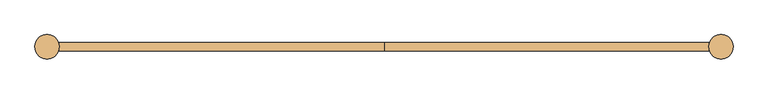
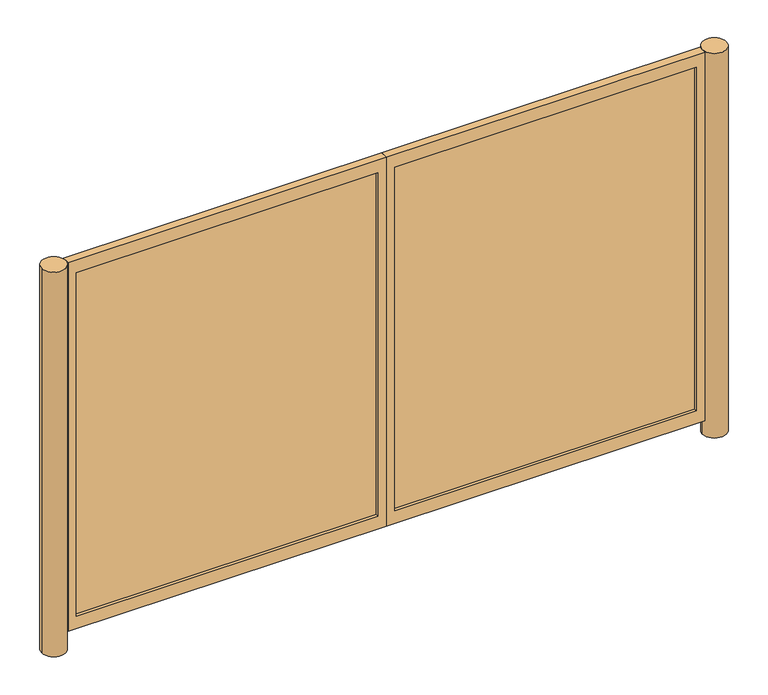
"""IFC4 building model written with IfcOpenShell, lengths in millimetres: door geometry."""

from ifc_helpers import new_model, si_unit, point, frame, frame_2d, origin, origin_with_axes, place, context, project, spatial, polyline, circle_curve, trimmed, segment, composite_curve, outline, extrude, source, transform, mapped, element, save


def door_ef174981(model_context):
    return source(origin(), model_context, "Body", "SweptSolid", [
        extrude(outline(composite_curve([segment(trimmed(circle_curve(frame_2d((-1981.2, 203.2)), 71.4375), [point((-2052.6375, 203.2))], [point((-1909.7625, 203.2))], False, "CARTESIAN"), True, "CONTINUOUS"), segment(trimmed(circle_curve(frame_2d((-1981.2, 203.2)), 71.4375), [point((-1909.7625, 203.2))], [point((-2052.6375, 203.2))], False, "CARTESIAN"), True, "CONTINUOUS")], self_intersect=False)), origin_with_axes(), (0.0, 0.0, 1.0), 2438.4),
        extrude(outline(composite_curve([segment(trimmed(circle_curve(frame_2d((1981.2, 203.2)), 71.4375), [point((1909.7625, 203.2))], [point((2052.6375, 203.2))], False, "CARTESIAN"), True, "CONTINUOUS"), segment(trimmed(circle_curve(frame_2d((1981.2, 203.2)), 71.4375), [point((2052.6375, 203.2))], [point((1909.7625, 203.2))], False, "CARTESIAN"), True, "CONTINUOUS")], self_intersect=False)), origin_with_axes(), (0.0, 0.0, 1.0), 2438.4),
        extrude(outline(polyline([(-50.8, 196.85), (-1858.9625, 196.85), (-1858.9625, 209.55), (-50.8, 209.55), (-50.8, 196.85)])), frame((0.0, 0.0, 180.975), z_axis=(0.0, 0.0, 1.0), x_axis=(1.0, 0.0, 0.0)), (0.0, 0.0, 1.0), 2178.05),
        extrude(outline(polyline([(1858.9625, 196.85), (50.8, 196.85), (50.8, 209.55), (1858.9625, 209.55), (1858.9625, 196.85)])), frame((0.0, 0.0, 180.975), z_axis=(0.0, 0.0, 1.0), x_axis=(1.0, 0.0, 0.0)), (0.0, 0.0, 1.0), 2178.05),
        extrude(outline(polyline([(2438.4, -1909.7625), (101.6, -1909.7625), (101.6, 0.0), (2438.4, 0.0), (2438.4, -1909.7625)]), holes=[polyline([(2359.025, -1858.9625), (2359.025, -50.8), (180.975, -50.8), (180.975, -1858.9625), (2359.025, -1858.9625)])]), frame((0.0, 177.8, 0.0), z_axis=(0.0, 1.0, 0.0), x_axis=(0.0, 0.0, 1.0)), (0.0, 0.0, 1.0), 50.8),
        extrude(outline(polyline([(2438.4, 0.0), (101.6, 0.0), (101.6, 1909.7625), (2438.4, 1909.7625), (2438.4, 0.0)]), holes=[polyline([(2359.025, 50.8), (2359.025, 1858.9625), (180.975, 1858.9625), (180.975, 50.8), (2359.025, 50.8)])]), frame((0.0, 177.8, 0.0), z_axis=(0.0, 1.0, 0.0), x_axis=(0.0, 0.0, 1.0)), (0.0, 0.0, 1.0), 50.8),
    ])


if __name__ == "__main__":
    model = new_model("IFC4")
    model_context = context("Model", 3, world=origin())
    ifc_project = project(units=[si_unit("LENGTHUNIT", "METRE", prefix="MILLI")], contexts=[model_context])
    site = spatial("IfcSite", under=ifc_project)
    building = spatial("IfcBuilding", under=site)
    placement = place(None, origin())
    door_shape = door_ef174981(model_context)
    element("IfcDoor", 1, at=placement, inside=building, context=model_context, shape_type="MappedRepresentation", body=[
        mapped(door_shape, transform((0.0, 0.0, 0.0), x_axis=(1.0, 0.0, 0.0), y_axis=(0.0, 1.0, 0.0), z_axis=(0.0, 0.0, 1.0))),
    ])
    save(model, "model.ifc")
